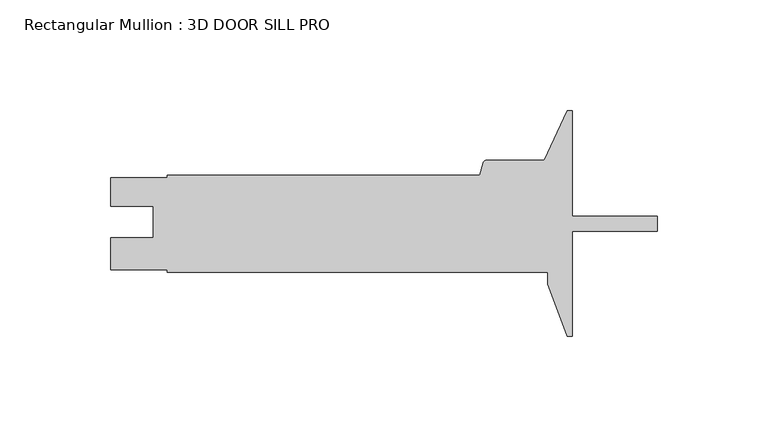
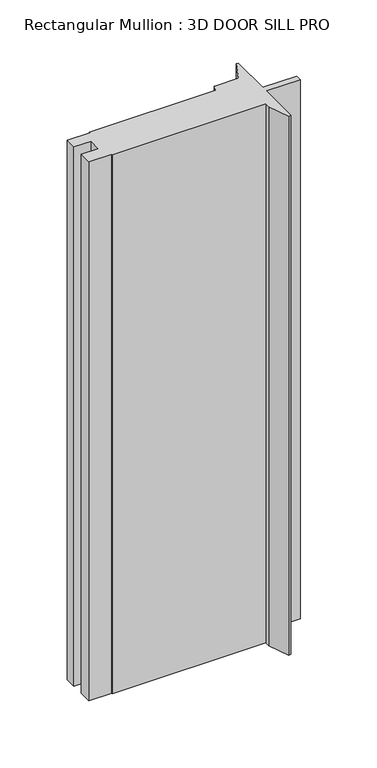
"""IFC4 building model written with IfcOpenShell, lengths in millimetres: member geometry, Rectangular Mullion : 3D DOOR SILL PRO."""

from ifc_helpers import new_model, si_unit, point, frame, frame_2d, origin, place, context, project, spatial, polyline, circle_curve, trimmed, segment, composite_curve, outline, extrude, source, transform, mapped, element, save


def rectangular_mullion_3d_door_sill_pro_b6ed5325(model_context):
    return source(origin(), model_context, "Body", "SweptSolid", [
        extrude(outline(composite_curve([segment(polyline([(-38.09873, 33.147), (-38.09873, -14.2875), (-40.48125, -14.2875), (-49.2125, 9.128125), (-49.2125, 14.6177), (-220.6625, 14.6177), (-220.6625, 15.8750163), (-246.0625, 15.8750163), (-246.0625, 30.1371), (-227.0252009, 30.1371), (-227.0252009, 44.4246), (-246.0625, 44.4246), (-246.0625, 57.1373), (-220.6625, 57.1373), (-220.6625, 58.4073), (-79.8317768, 58.4073), (-78.3570983, 63.9108752)]), True, "CONTINUOUS"), segment(trimmed(circle_curve(frame_2d((-76.823691, 63.5)), 1.5875), [point((-78.3570983, 63.9108752))], [point((-76.823691, 65.0875))], False, "CARTESIAN"), True, "CONTINUOUS"), segment(polyline([(-76.823691, 65.0875), (-50.8, 65.0875), (-40.48125, 87.3125), (-38.1, 87.3125), (-38.1, 39.878), (0.0, 39.878), (0.0, 33.147), (-38.09873, 33.147)]), True, "CONTINUOUS")], self_intersect=False)), frame((0.0, 0.0, -635.79375), z_axis=(0.0, 0.0, 1.0), x_axis=(1.0, 0.0, 0.0)), (0.0, 0.0, 1.0), 635.79375),
    ])


if __name__ == "__main__":
    model = new_model("IFC4")
    model_context = context("Model", 3, world=origin())
    ifc_project = project(units=[si_unit("LENGTHUNIT", "METRE", prefix="MILLI")], contexts=[model_context])
    site = spatial("IfcSite", under=ifc_project)
    building = spatial("IfcBuilding", under=site)
    placement = place(None, origin())
    rectangular_mullion_3d_door_sill_pro_shape = rectangular_mullion_3d_door_sill_pro_b6ed5325(model_context)
    element("IfcMember", 1, ObjectType="Rectangular Mullion : 3D DOOR SILL PRO", at=placement, inside=building, context=model_context, shape_type="MappedRepresentation", body=[
        mapped(rectangular_mullion_3d_door_sill_pro_shape, transform((0.0, 0.0, 0.0), x_axis=(1.0, 0.0, 0.0), y_axis=(0.0, 1.0, 0.0), z_axis=(0.0, 0.0, 1.0))),
    ])
    save(model, "model.ifc")
